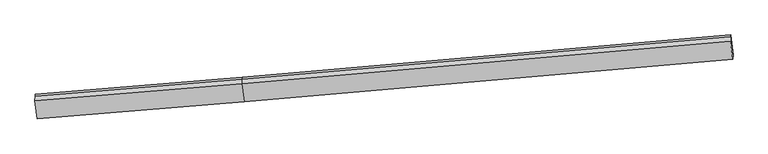
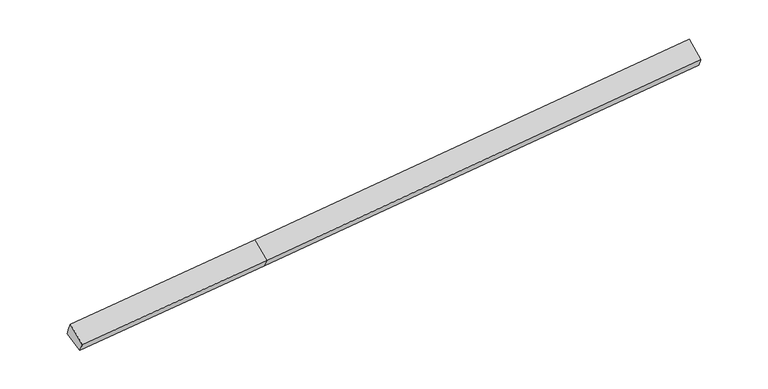
"""IFC4 building model written with IfcOpenShell, lengths in millimetres: proxy geometry."""

from ifc_helpers import new_model, si_unit, origin, place, context, project, spatial, faceted_brep, source, transform, mapped, element, save


def generic_models_284876a3(model_context):
    return source(origin(), model_context, "Body", "Brep", [
        faceted_brep([(-9780.2287991, -2189.6824805, 1279.9710988), (-9785.7844279, -2255.7872272, 1461.3465323), (-3081.6562294, -1700.9391734, 1879.5674493), (-3076.1006006, -1634.8344267, 1698.1920158), (-9709.8384882, -2831.5618046, 1035.9107123), (-3005.7102897, -2276.7137508, 1454.1316293), (-9714.7723763, -2986.7233417, 1330.9017828), (-3010.6441778, -2431.8752879, 1749.1226998), (-9791.8229643, -2402.658263, 1762.6426179), (-3087.6947658, -1847.8102092, 2180.8635349), (12840.3988256, -1067.3150873, 2731.9813679), (12845.3327138, -912.1535503, 2436.9902974), (12774.9424028, -270.2742261, 2681.0506839), (12769.386774, -336.3789728, 2862.4261175), (12763.3482377, -483.2500087, 3163.7222031)], [[[0, 1, 2, 3]], [[4, 0, 5]], [[6, 4, 5, 7]], [[8, 6, 7, 9]], [[1, 8, 9, 2]], [[10, 11, 12, 13, 14]], [[1, 0, 4, 6, 8]], [[3, 5, 0]], [[7, 5, 11, 10]], [[5, 3, 12, 11]], [[3, 2, 13, 12]], [[2, 9, 14, 13]], [[9, 7, 10, 14]]]),
    ])


if __name__ == "__main__":
    model = new_model("IFC4")
    model_context = context("Model", 3, world=origin())
    ifc_project = project(units=[si_unit("LENGTHUNIT", "METRE", prefix="MILLI")], contexts=[model_context])
    site = spatial("IfcSite", under=ifc_project)
    building = spatial("IfcBuilding", under=site)
    placement = place(None, origin())
    generic_models_shape = generic_models_284876a3(model_context)
    element("IfcBuildingElementProxy", 1, Name="Generic Models", at=placement, inside=building, context=model_context, shape_type="MappedRepresentation", body=[
        mapped(generic_models_shape, transform((0.0, 0.0, 0.0), x_axis=(1.0, 0.0, 0.0), y_axis=(0.0, 1.0, 0.0), z_axis=(0.0, 0.0, 1.0))),
    ])
    save(model, "model.ifc")
